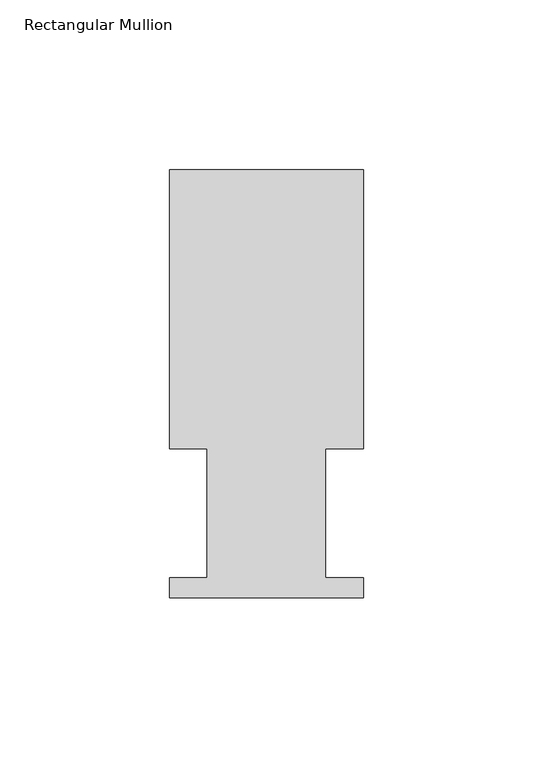
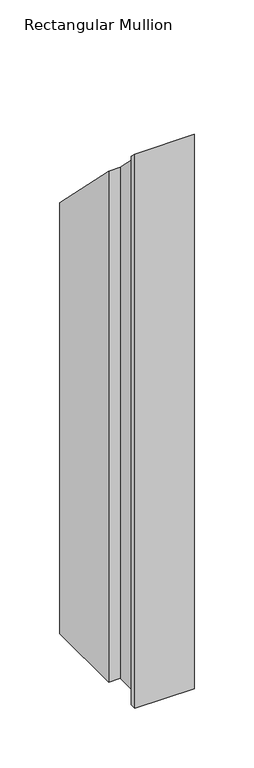
"""IFC4 building model written with IfcOpenShell, lengths in millimetres: member geometry, Rectangular Mullion."""

from ifc_helpers import new_model, si_unit, origin, place, context, project, spatial, faceted_brep, source, transform, mapped, element, save


def rectangular_mullion_122af348(model_context):
    return source(origin(), model_context, "Body", "Brep", [
        faceted_brep([(0.0, 126.619, -567.3625251), (0.0, 44.45, -567.3625251), (-11.1120704, 44.45, -567.3625251), (-11.1120704, 6.35, -567.3625251), (0.0, 6.35, -567.3625251), (0.0, 0.4064, -567.3625251), (-57.15, 0.4064, -567.3625251), (-57.15, 6.35, -567.3625251), (-46.0370705, 6.35, -567.3625251), (-46.0370705, 44.45, -567.3625251), (-57.15, 44.45, -567.3625251), (-57.15, 126.619, -567.3625251), (-57.15, 126.619, -126.619), (0.0, 126.619, -126.619), (-57.15, 44.45, -44.45), (-46.0370705, 44.45, -44.45), (-46.0370705, 6.35, -6.35), (-57.15, 6.35, -6.35), (-57.15, 0.4064, -0.4064), (0.0, 0.4064, -0.4064), (0.0, 6.35, -6.35), (-11.1120704, 6.35, -6.35), (-11.1120704, 44.45, -44.45), (0.0, 44.45, -44.45)], [[[0, 1, 2, 3, 4, 5, 6, 7, 8, 9, 10, 11]], [[12, 13, 0, 11]], [[14, 12, 11, 10]], [[15, 14, 10, 9]], [[16, 15, 9, 8]], [[17, 16, 8, 7]], [[18, 17, 7, 6]], [[19, 18, 6, 5]], [[20, 19, 5, 4]], [[21, 20, 4, 3]], [[22, 21, 3, 2]], [[23, 22, 2, 1]], [[13, 23, 1, 0]], [[13, 12, 14, 15, 16, 17, 18, 19, 20, 21, 22, 23]]]),
    ])


if __name__ == "__main__":
    model = new_model("IFC4")
    model_context = context("Model", 3, world=origin())
    ifc_project = project(units=[si_unit("LENGTHUNIT", "METRE", prefix="MILLI")], contexts=[model_context])
    site = spatial("IfcSite", under=ifc_project)
    building = spatial("IfcBuilding", under=site)
    placement = place(None, origin())
    rectangular_mullion_shape = rectangular_mullion_122af348(model_context)
    element("IfcMember", 1, ObjectType="Rectangular Mullion", at=placement, inside=building, context=model_context, shape_type="MappedRepresentation", body=[
        mapped(rectangular_mullion_shape, transform((0.0, 0.0, 0.0), x_axis=(1.0, 0.0, 0.0), y_axis=(0.0, 1.0, 0.0), z_axis=(0.0, 0.0, 1.0))),
    ])
    save(model, "model.ifc")
